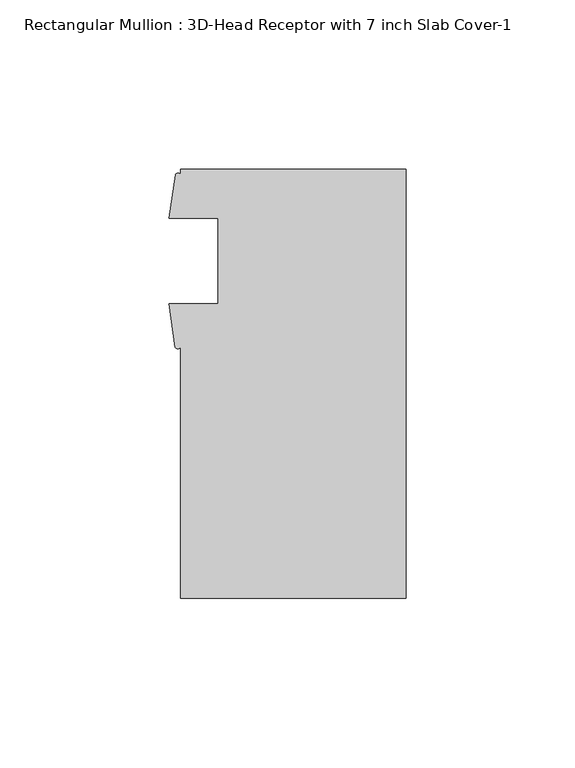
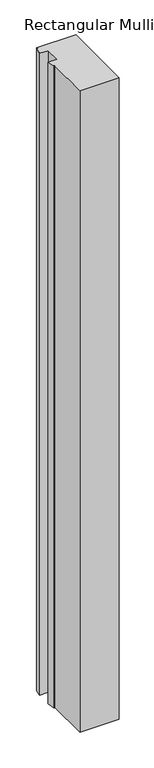
"""IFC4 building model written with IfcOpenShell, lengths in millimetres: member geometry, Rectangular Mullion : 3D-Head Receptor with 7 inch Slab Cover-1."""

from ifc_helpers import new_model, si_unit, point, frame, frame_2d, origin, place, context, project, spatial, polyline, circle_curve, trimmed, segment, composite_curve, outline, extrude, source, transform, mapped, element, save


def rectangular_mullion_3d_head_receptor_with_7_inch_slab_cover_be02c1d6(model_context):
    return source(origin(), model_context, "Body", "SweptSolid", [
        extrude(outline(composite_curve([segment(polyline([(33.5097609, 53.975), (33.5097609, -73.025), (-33.1652391, -73.025), (-33.1652391, 1.2984222)]), True, "CONTINUOUS"), segment(trimmed(circle_curve(frame_2d((-33.9969413, 1.8459358)), 0.9957408), [point((-33.1652391, 1.2984222))], [point((-34.8286435, 1.2984222))], False, "CARTESIAN"), True, "CONTINUOUS"), segment(polyline([(-34.8286435, 1.2984222), (-36.6847609, 14.071475), (-22.0527391, 14.071475), (-22.0527391, 39.471475), (-36.5612391, 39.471475), (-34.7511354, 52.2427625)]), True, "CONTINUOUS"), segment(trimmed(circle_curve(frame_2d((-33.9581873, 51.7997027)), 0.9083329), [point((-34.7511354, 52.2427625))], [point((-33.1652391, 52.2427625))], False, "CARTESIAN"), True, "CONTINUOUS"), segment(polyline([(-33.1652391, 52.2427625), (-33.1652391, 53.975), (33.5097609, 53.975)]), True, "CONTINUOUS")], self_intersect=False)), frame((0.0, 0.0, -1155.0109565), z_axis=(0.0, 0.0, 1.0), x_axis=(1.0, 0.0, 0.0)), (0.0, 0.0, 1.0), 1155.0109565),
    ])


if __name__ == "__main__":
    model = new_model("IFC4")
    model_context = context("Model", 3, world=origin())
    ifc_project = project(units=[si_unit("LENGTHUNIT", "METRE", prefix="MILLI")], contexts=[model_context])
    site = spatial("IfcSite", under=ifc_project)
    building = spatial("IfcBuilding", under=site)
    placement = place(None, origin())
    rectangular_mullion_3d_head_receptor_with_7_inch_slab_cover_shape = rectangular_mullion_3d_head_receptor_with_7_inch_slab_cover_be02c1d6(model_context)
    element("IfcMember", 1, ObjectType="Rectangular Mullion : 3D-Head Receptor with 7 inch Slab Cover-1", at=placement, inside=building, context=model_context, shape_type="MappedRepresentation", body=[
        mapped(rectangular_mullion_3d_head_receptor_with_7_inch_slab_cover_shape, transform((0.0, 0.0, 0.0), x_axis=(1.0, 0.0, 0.0), y_axis=(0.0, 1.0, 0.0), z_axis=(0.0, 0.0, 1.0))),
    ])
    save(model, "model.ifc")
